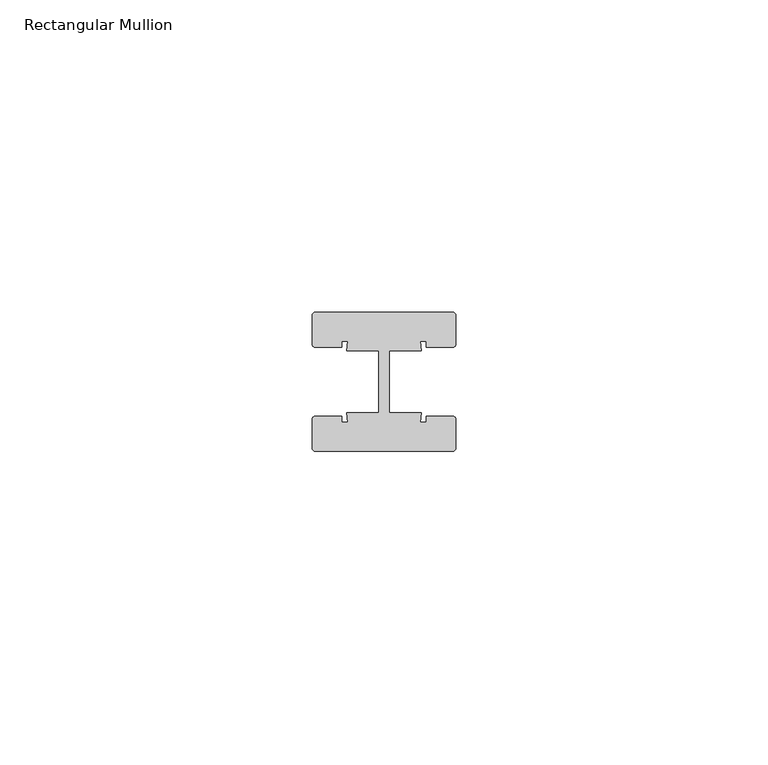
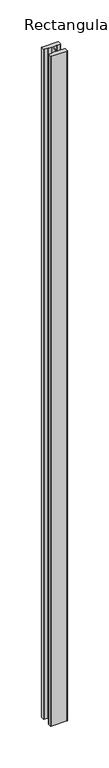
"""IFC4 building model written with IfcOpenShell, lengths in millimetres: member geometry, Rectangular Mullion."""

from ifc_helpers import new_model, si_unit, point, frame, frame_2d, origin, place, context, project, spatial, polyline, circle_curve, trimmed, segment, composite_curve, outline, extrude, source, transform, mapped, element, save


def rectangular_mullion_88392e1f(model_context):
    return source(origin(), model_context, "Body", "SweptSolid", [
        extrude(outline(composite_curve([segment(trimmed(circle_curve(frame_2d((-11.0, 10.64)), 0.5), [point((-11.5, 10.64))], [point((-11.0, 11.14))], False, "CARTESIAN"), True, "CONTINUOUS"), segment(polyline([(-11.0, 11.14), (11.0, 11.14)]), True, "CONTINUOUS"), segment(trimmed(circle_curve(frame_2d((11.0, 10.64)), 0.5), [point((11.0, 11.14))], [point((11.5, 10.64))], False, "CARTESIAN"), True, "CONTINUOUS"), segment(polyline([(11.5, 10.64), (11.5, 6.0)]), True, "CONTINUOUS"), segment(trimmed(circle_curve(frame_2d((11.0, 6.0)), 0.5), [point((11.5, 6.0))], [point((11.0, 5.5))], False, "CARTESIAN"), True, "CONTINUOUS"), segment(polyline([(11.0, 5.5), (6.75, 5.5), (6.75, 6.5), (5.7984177, 6.5), (6.0, 5.0), (0.840625, 5.0), (0.840625, -5.0), (6.0, -5.0), (5.7984177, -6.5), (6.75, -6.5), (6.75, -5.5), (11.0, -5.5)]), True, "CONTINUOUS"), segment(trimmed(circle_curve(frame_2d((11.0, -6.0)), 0.5), [point((11.0, -5.5))], [point((11.5, -6.0))], False, "CARTESIAN"), True, "CONTINUOUS"), segment(polyline([(11.5, -6.0), (11.5, -10.64)]), True, "CONTINUOUS"), segment(trimmed(circle_curve(frame_2d((11.0, -10.64)), 0.5), [point((11.5, -10.64))], [point((11.0, -11.14))], False, "CARTESIAN"), True, "CONTINUOUS"), segment(polyline([(11.0, -11.14), (-11.0, -11.14)]), True, "CONTINUOUS"), segment(trimmed(circle_curve(frame_2d((-11.0, -10.64)), 0.5), [point((-11.0, -11.14))], [point((-11.5, -10.64))], False, "CARTESIAN"), True, "CONTINUOUS"), segment(polyline([(-11.5, -10.64), (-11.5, -6.0)]), True, "CONTINUOUS"), segment(trimmed(circle_curve(frame_2d((-11.0, -6.0)), 0.5), [point((-11.5, -6.0))], [point((-11.0, -5.5))], False, "CARTESIAN"), True, "CONTINUOUS"), segment(polyline([(-11.0, -5.5), (-6.75, -5.5), (-6.75, -6.5), (-5.7984177, -6.5), (-6.0, -5.0), (-0.840625, -5.0), (-0.840625, 5.0), (-6.0, 5.0), (-5.7984177, 6.5), (-6.75, 6.5), (-6.75, 5.5), (-11.0, 5.5)]), True, "CONTINUOUS"), segment(trimmed(circle_curve(frame_2d((-11.0, 6.0)), 0.5), [point((-11.0, 5.5))], [point((-11.5, 6.0))], False, "CARTESIAN"), True, "CONTINUOUS"), segment(polyline([(-11.5, 6.0), (-11.5, 10.64)]), True, "CONTINUOUS")], self_intersect=False)), frame((0.0, 0.0, -979.1), z_axis=(0.0, 0.0, 1.0), x_axis=(1.0, 0.0, 0.0)), (0.0, 0.0, 1.0), 979.1),
    ])


if __name__ == "__main__":
    model = new_model("IFC4")
    model_context = context("Model", 3, world=origin())
    ifc_project = project(units=[si_unit("LENGTHUNIT", "METRE", prefix="MILLI")], contexts=[model_context])
    site = spatial("IfcSite", under=ifc_project)
    building = spatial("IfcBuilding", under=site)
    placement = place(None, origin())
    rectangular_mullion_shape = rectangular_mullion_88392e1f(model_context)
    element("IfcMember", 1, ObjectType="Rectangular Mullion", at=placement, inside=building, context=model_context, shape_type="MappedRepresentation", body=[
        mapped(rectangular_mullion_shape, transform((0.0, 0.0, 0.0), x_axis=(1.0, 0.0, 0.0), y_axis=(0.0, 1.0, 0.0), z_axis=(0.0, 0.0, 1.0))),
    ])
    save(model, "model.ifc")
